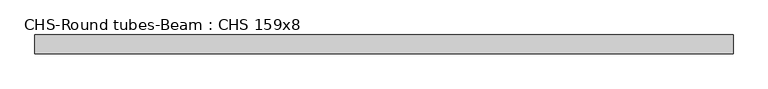
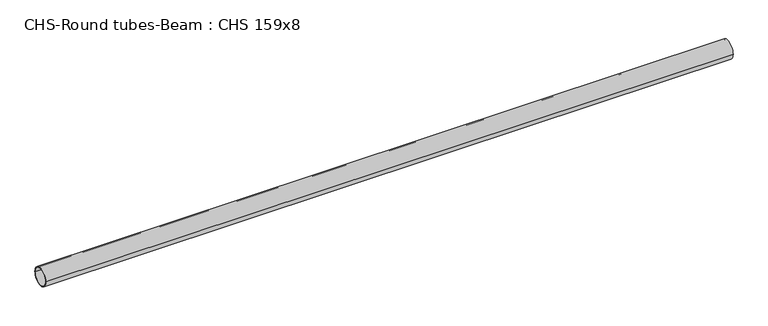
"""IFC4 building model written with IfcOpenShell, lengths in millimetres: beam geometry, CHS-Round tubes-Beam : CHS 159x8."""

from ifc_helpers import new_model, si_unit, point, frame, origin, origin_2d, place, context, project, spatial, circle_curve, trimmed, segment, composite_curve, outline, extrude, source, transform, mapped, element, save


def chs_round_tubes_beam_chs_159x8_0433c3fb(model_context):
    return source(origin(), model_context, "Body", "SweptSolid", [
        extrude(outline(composite_curve([segment(trimmed(circle_curve(origin_2d(), 79.5), [point((79.5, 0.0))], [point((-79.5, 0.0))], False, "CARTESIAN"), True, "CONTINUOUS"), segment(trimmed(circle_curve(origin_2d(), 79.5), [point((-79.5, 0.0))], [point((79.5, 0.0))], False, "CARTESIAN"), True, "CONTINUOUS")], self_intersect=False), holes=[composite_curve([segment(trimmed(circle_curve(origin_2d(), 71.5), [point((71.5, 0.0))], [point((-71.5, 0.0))], True, "CARTESIAN"), True, "CONTINUOUS"), segment(trimmed(circle_curve(origin_2d(), 71.5), [point((-71.5, 0.0))], [point((71.5, 0.0))], True, "CARTESIAN"), True, "CONTINUOUS")], self_intersect=False)]), frame((-2931.6810895, 0.0, 0.0), z_axis=(1.0, 0.0, 0.0), x_axis=(0.0, 1.0, 0.0)), (0.0, 0.0, 1.0), 5877.5882557),
    ])


if __name__ == "__main__":
    model = new_model("IFC4")
    model_context = context("Model", 3, world=origin())
    ifc_project = project(units=[si_unit("LENGTHUNIT", "METRE", prefix="MILLI")], contexts=[model_context])
    site = spatial("IfcSite", under=ifc_project)
    building = spatial("IfcBuilding", under=site)
    placement = place(None, origin())
    chs_round_tubes_beam_chs_159x8_shape = chs_round_tubes_beam_chs_159x8_0433c3fb(model_context)
    element("IfcBeam", 1, ObjectType="CHS-Round tubes-Beam : CHS 159x8", at=placement, inside=building, context=model_context, shape_type="MappedRepresentation", body=[
        mapped(chs_round_tubes_beam_chs_159x8_shape, transform((0.0, 0.0, 0.0), x_axis=(1.0, 0.0, 0.0), y_axis=(0.0, 1.0, 0.0), z_axis=(0.0, 0.0, 1.0))),
    ])
    save(model, "model.ifc")
